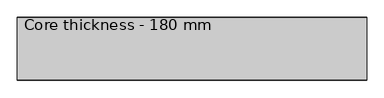
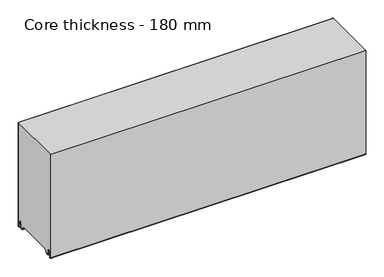
"""IFC4 building model written with IfcOpenShell, lengths in millimetres: plate geometry, Core thickness - 180 mm."""

from ifc_helpers import new_model, si_unit, frame, origin, place, context, project, spatial, polyline, circle_curve, source, transform, mapped, element, save
from ifc_brep_helpers import plane_surface, cylinder_surface, revolved_surface, advanced_brep


def core_thickness_180_mm_42a51127(model_context):
    return source(origin(), model_context, "Body", "AdvancedBrep", [
        advanced_brep(
        [(500.0000002, -179.9996949, 3.0900682), (500.0000002, -173.81449, 2.7875612), (500.0000002, -172.197116, 19.2828169), (500.0000002, -169.1776715, 21.9898782), (500.0000002, -166.1582271, 19.2828169), (500.0000002, -164.7725998, 5.1510966), (500.0000002, -160.3830995, 5.365779), (500.0000002, -161.1830995, 5.365779), (500.0000002, -163.9764178, 5.2291629), (500.0000002, -165.3620451, 19.3608832), (500.0000002, -169.1776715, 22.7899182), (500.0000002, -172.9932979, 19.3608832), (500.0000002, -174.6106719, 2.8656275), (500.0000002, -179.1996949, 3.0900682), (500.0000002, -179.2, 350.0), (500.0000002, -179.9996949, 350.0), (-500.0000002, -179.1996949, 3.0900682), (-500.0000002, -174.6106719, 2.8656275), (-500.0000002, -172.9932979, 19.3608832), (-500.0000002, -169.1776715, 22.7899182), (-500.0000002, -165.3620451, 19.3608832), (-500.0000002, -163.9764178, 5.2291629), (-500.0000002, -161.1830995, 5.365779), (-500.0000002, -160.3830995, 5.365779), (-500.0000002, -164.7725998, 5.1510966), (-500.0000002, -166.1582271, 19.2828169), (-500.0000002, -169.1776715, 21.9898782), (-500.0000002, -172.197116, 19.2828169), (-500.0000002, -173.81449, 2.7875612), (-500.0000002, -179.9996949, 3.0900682), (-500.0000002, -179.9996949, 350.0), (-500.0000002, -179.2, 350.0)],
        [
            (0, 1, circle_curve(frame((500.0000002, -176.8996949, 3.0900682), z_axis=(1.0, 0.0, 0.0), x_axis=(0.0, 0.0, -1.0)), 3.1)),
            (1, 2),
            (2, 3, circle_curve(frame((500.0000002, -169.2114338, 18.9900682), z_axis=(-1.0, 0.0, 0.0), x_axis=(0.0, 0.0, -1.0)), 3.0)),
            (3, 4, circle_curve(frame((500.0000002, -169.1439093, 18.9900682), z_axis=(-1.0, 0.0, 0.0), x_axis=(0.0, 0.0, -1.0)), 3.0)),
            (4, 5),
            (5, 6, circle_curve(frame((500.0000002, -162.5830995, 5.365779), z_axis=(1.0, 0.0, 0.0), x_axis=(0.0, 0.0, -1.0)), 2.2)),
            (6, 7),
            (7, 8, circle_curve(frame((500.0000002, -162.5830995, 5.365779), z_axis=(-1.0, 0.0, 0.0), x_axis=(0.0, 0.0, -1.0)), 1.4)),
            (8, 9),
            (9, 10, circle_curve(frame((500.0000002, -169.1439093, 18.9900682), z_axis=(1.0, 0.0, 0.0), x_axis=(0.0, 0.0, -1.0)), 3.8)),
            (10, 11, circle_curve(frame((500.0000002, -169.2114338, 18.9900682), z_axis=(1.0, 0.0, 0.0), x_axis=(0.0, 0.0, -1.0)), 3.8)),
            (11, 12),
            (12, 13, circle_curve(frame((500.0000002, -176.8996949, 3.0900682), z_axis=(-1.0, 0.0, 0.0), x_axis=(0.0, 0.0, -1.0)), 2.3)),
            (13, 14),
            (14, 15),
            (15, 0),
            (16, 17, circle_curve(frame((-500.0000002, -176.8996949, 3.0900682), z_axis=(1.0, 0.0, 0.0), x_axis=(0.0, 0.0, -1.0)), 2.3)),
            (17, 18),
            (18, 19, circle_curve(frame((-500.0000002, -169.2114338, 18.9900682), z_axis=(-1.0, 0.0, 0.0), x_axis=(0.0, 0.0, -1.0)), 3.8)),
            (19, 20, circle_curve(frame((-500.0000002, -169.1439093, 18.9900682), z_axis=(-1.0, 0.0, 0.0), x_axis=(0.0, 0.0, -1.0)), 3.8)),
            (20, 21),
            (21, 22, circle_curve(frame((-500.0000002, -162.5830995, 5.365779), z_axis=(1.0, 0.0, 0.0), x_axis=(0.0, 0.0, -1.0)), 1.4)),
            (22, 23),
            (23, 24, circle_curve(frame((-500.0000002, -162.5830995, 5.365779), z_axis=(-1.0, 0.0, 0.0), x_axis=(0.0, 0.0, -1.0)), 2.2)),
            (24, 25),
            (25, 26, circle_curve(frame((-500.0000002, -169.1439093, 18.9900682), z_axis=(1.0, 0.0, 0.0), x_axis=(0.0, 0.0, -1.0)), 3.0)),
            (26, 27, circle_curve(frame((-500.0000002, -169.2114338, 18.9900682), z_axis=(1.0, 0.0, 0.0), x_axis=(0.0, 0.0, -1.0)), 3.0)),
            (27, 28),
            (28, 29, circle_curve(frame((-500.0000002, -176.8996949, 3.0900682), z_axis=(-1.0, 0.0, 0.0), x_axis=(0.0, 0.0, -1.0)), 3.1)),
            (29, 30),
            (30, 31),
            (31, 16),
            (13, 16),
            (31, 14),
            (29, 0),
            (15, 30),
            (12, 17),
            (11, 18),
            (10, 19),
            (9, 20),
            (8, 21),
            (7, 22),
            (6, 23),
            (5, 24),
            (4, 25),
            (3, 26),
            (2, 27),
            (1, 28),
        ],
        [
            plane_surface(frame((500.0000002, -180.0, 0.0), z_axis=(1.0, 0.0, 0.0), x_axis=(0.0, 1.0, 0.0))),
            plane_surface(frame((-500.0000002, -180.0, 0.0), z_axis=(-1.0, 0.0, 0.0), x_axis=(0.0, 1.0, 0.0))),
            plane_surface(frame((500.0000002, -179.2, 3.0900682), z_axis=(0.0, 1.0, 0.0), x_axis=(-1.0, 0.0, 0.0))),
            plane_surface(frame((500.0000002, -179.9996949, 1143.9000005), z_axis=(0.0, -1.0, 0.0), x_axis=(-1.0, 0.0, 0.0))),
            revolved_surface(polyline([(-500.0000002, -176.8996949, 0.7900682000000003), (500.0000002, -176.8996949, 0.7900682000000003)]), (500.0000002, -176.8996949, 3.0900682), (-1.0, 0.0, 0.0)),
            plane_surface(frame((500.0000002, -172.9932979, 19.3608832), z_axis=(0.0, -0.9952273999818314, 0.09758289975914787), x_axis=(-1.0, 0.0, 0.0))),
            cylinder_surface(frame((500.0000002, -169.2114338, 18.9900682), z_axis=(1.0, 0.0, 0.0), x_axis=(0.0, 0.0, -1.0)), 3.8),
            cylinder_surface(frame((500.0000002, -169.1439093, 18.9900682), z_axis=(1.0, 0.0, 0.0), x_axis=(0.0, 0.0, -1.0)), 3.8),
            plane_surface(frame((500.0000002, -163.9764178, 5.2291629), z_axis=(0.0, 0.9952273999818297, 0.09758289975916531), x_axis=(-1.0, 0.0, 0.0))),
            revolved_surface(polyline([(-500.0000002, -162.5830995, 3.965779), (500.0000002, -162.5830995, 3.965779)]), (500.0000002, -162.5830995, 5.365779), (-1.0, 0.0, 0.0)),
            plane_surface(frame((500.0000002, -160.3830995, 5.365779), z_axis=(0.0, 0.0, 1.0), x_axis=(-1.0, 0.0, 0.0))),
            cylinder_surface(frame((500.0000002, -162.5830995, 5.365779), z_axis=(1.0, 0.0, 0.0), x_axis=(0.0, 0.0, -1.0)), 2.2),
            plane_surface(frame((500.0000002, -166.1582271, 19.2828169), z_axis=(0.0, -0.9952273999818296, -0.09758289975916527), x_axis=(-1.0, 0.0, 0.0))),
            revolved_surface(polyline([(-500.0000002, -169.1439093, 15.9900682), (500.0000002, -169.1439093, 15.9900682)]), (500.0000002, -169.1439093, 18.9900682), (-1.0, 0.0, 0.0)),
            revolved_surface(polyline([(-500.0000002, -169.2114338, 15.9900682), (500.0000002, -169.2114338, 15.9900682)]), (500.0000002, -169.2114338, 18.9900682), (-1.0, 0.0, 0.0)),
            plane_surface(frame((500.0000002, -173.81449, 2.7875612), z_axis=(0.0, 0.9952273999818314, -0.09758289975914787), x_axis=(-1.0, 0.0, 0.0))),
            cylinder_surface(frame((500.0000002, -176.8996949, 3.0900682), z_axis=(1.0, 0.0, 0.0), x_axis=(0.0, 0.0, -1.0)), 3.1),
            plane_surface(frame((-500.0000002, 134.0533409, 350.0), z_axis=(0.0, 0.0, 1.0), x_axis=(1.0, 0.0, 0.0))),
        ],
        [
            (0, [[1, 2, 3, 4, 5, 6, 7, 8, 9, 10, 11, 12, 13, 14, 15, 16]]),
            (1, [[17, 18, 19, 20, 21, 22, 23, 24, 25, 26, 27, 28, 29, 30, 31, 32]]),
            (2, [[33, -32, 34, -14]]),
            (3, [[35, -16, 36, -30]]),
            (4, [[-13, 37, -17, -33]]),
            (5, [[-12, 38, -18, -37]]),
            (6, [[-11, 39, -19, -38]]),
            (7, [[-10, 40, -20, -39]]),
            (8, [[-9, 41, -21, -40]]),
            (9, [[-8, 42, -22, -41]]),
            (10, [[-7, 43, -23, -42]]),
            (11, [[-6, 44, -24, -43]]),
            (12, [[-5, 45, -25, -44]]),
            (13, [[-4, 46, -26, -45]]),
            (14, [[-3, 47, -27, -46]]),
            (15, [[-2, 48, -28, -47]]),
            (16, [[-1, -35, -29, -48]]),
            (17, [[-15, -34, -31, -36]]),
        ],
    ),
        advanced_brep(
        [(500.0000002, -149.873448, 15.1417681), (500.0000002, -30.126552, 15.1417681), (500.0000002, -23.4071318, 3.165779), (500.0000002, -17.4169005, 3.165779), (500.0000002, -19.6169005, 5.365779), (500.0000002, -18.8169005, 5.365779), (500.0000002, -16.0235822, 5.2291629), (500.0000002, -14.6379549, 19.3608832), (500.0000002, -10.8223285, 22.7899182), (500.0000002, -7.0067021, 19.3608832), (500.0000002, -5.3893281, 2.8656275), (500.0000002, -1.0794848, 4.1883784), (500.0000002, -1.5003051, 5.8439114), (500.0000002, -1.5003051, 42.0511837), (500.0000002, -1.0971009, 43.4705951), (500.0000002, -0.8, 44.5229805), (500.0000002, -0.8, 94.6827637), (500.0000002, -1.0986697, 95.7341795), (500.0000002, -1.5003051, 97.1545605), (500.0000002, -1.5003051, 147.3143437), (500.0000002, -1.0971009, 148.7337551), (500.0000002, -0.8, 149.7861405), (500.0000002, -0.8, 199.9459237), (500.0000002, -1.0986697, 200.9973395), (500.0000002, -1.5003051, 202.4177205), (500.0000002, -1.5003051, 252.5775037), (500.0000002, -1.0971009, 253.9969151), (500.0000002, -0.8, 255.0493005), (500.0000002, -0.8, 305.2090837), (500.0000002, -1.0986697, 306.2604995), (500.0000002, -1.5003051, 307.6808805), (500.0000002, -1.5003051, 350.0), (500.0000002, -179.2, 350.0), (500.0000002, -179.2, 3.0900682), (500.0000002, -174.6106719, 2.8656275), (500.0000002, -172.9932979, 19.3608832), (500.0000002, -169.1776715, 22.7899182), (500.0000002, -165.3620451, 19.3608832), (500.0000002, -163.9764178, 5.2291629), (500.0000002, -161.1830995, 5.365779), (500.0000002, -160.3830995, 5.365779), (500.0000002, -162.5830995, 3.165779), (500.0000002, -156.5928682, 3.165779), (-500.0000002, -30.126552, 15.1417681), (-500.0000002, -149.873448, 15.1417681), (-500.0000002, -156.5928682, 3.165779), (-500.0000002, -162.5830995, 3.165779), (-500.0000002, -160.3830995, 5.365779), (-500.0000002, -161.1830995, 5.365779), (-500.0000002, -163.9764178, 5.2291629), (-500.0000002, -165.3620451, 19.3608832), (-500.0000002, -169.1776715, 22.7899182), (-500.0000002, -172.9932979, 19.3608832), (-500.0000002, -174.6106719, 2.8656275), (-500.0000002, -179.1996949, 3.0900682), (-500.0000002, -179.2, 350.0), (-500.0000002, -1.5003051, 350.0), (-500.0000002, -1.5003051, 307.6808805), (-500.0000002, -1.0971009, 306.2614691), (-500.0000002, -0.8, 305.2090837), (-500.0000002, -0.8, 255.0493005), (-500.0000002, -1.0986697, 253.9978846), (-500.0000002, -1.5003051, 252.5775037), (-500.0000002, -1.5003051, 202.4177205), (-500.0000002, -1.0971009, 200.9983091), (-500.0000002, -0.8, 199.9459237), (-500.0000002, -0.8, 149.7861405), (-500.0000002, -1.0986697, 148.7347246), (-500.0000002, -1.5003051, 147.3143437), (-500.0000002, -1.5003051, 97.1545605), (-500.0000002, -1.0971009, 95.7351491), (-500.0000002, -0.8, 94.6827637), (-500.0000002, -0.8, 44.5229805), (-500.0000002, -1.0986697, 43.4715646), (-500.0000002, -1.5003051, 42.0511837), (-500.0000002, -1.5003051, 5.8439114), (-500.0000002, -1.0794848, 4.1883784), (-500.0000002, -5.3893281, 2.8656275), (-500.0000002, -7.0067021, 19.3608832), (-500.0000002, -10.8223285, 22.7899182), (-500.0000002, -14.6379549, 19.3608832), (-500.0000002, -16.0235822, 5.2291629), (-500.0000002, -18.8169005, 5.365779), (-500.0000002, -19.6169005, 5.365779), (-500.0000002, -17.4169005, 3.165779), (-500.0000002, -23.4071318, 3.165779)],
        [
            (0, 1),
            (1, 2),
            (2, 3),
            (3, 4, circle_curve(frame((500.0000002, -17.4169005, 5.365779), z_axis=(-1.0, 0.0, 0.0), x_axis=(0.0, 0.0, -1.0)), 2.2)),
            (4, 5),
            (5, 6, circle_curve(frame((500.0000002, -17.4169005, 5.365779), z_axis=(1.0, 0.0, 0.0), x_axis=(0.0, 0.0, -1.0)), 1.4)),
            (6, 7),
            (7, 8, circle_curve(frame((500.0000002, -10.8560907, 18.9900682), z_axis=(-1.0, 0.0, 0.0), x_axis=(0.0, 0.0, -1.0)), 3.8)),
            (8, 9, circle_curve(frame((500.0000002, -10.7885662, 18.9900682), z_axis=(-1.0, 0.0, 0.0), x_axis=(0.0, 0.0, -1.0)), 3.8)),
            (9, 10),
            (10, 11, circle_curve(frame((500.0000002, -3.1003051, 3.0900682), z_axis=(1.0, 0.0, 0.0), x_axis=(0.0, 0.0, -1.0)), 2.3)),
            (11, 12, circle_curve(frame((500.0000002, 1.9665895, 5.8439114), z_axis=(-1.0, 0.0, 0.0), x_axis=(0.0, 0.0, -1.0)), 3.4668946)),
            (12, 13),
            (13, 14, circle_curve(frame((500.0000002, 1.1996949, 42.0511837), z_axis=(-1.0, 0.0, 0.0), x_axis=(0.0, 0.0, -1.0)), 2.7)),
            (14, 15, circle_curve(frame((500.0000002, -2.8, 44.5229805), z_axis=(1.0, 0.0, 0.0), x_axis=(0.0, 0.0, -1.0)), 2.0)),
            (15, 16),
            (16, 17, circle_curve(frame((500.0000002, -2.8, 94.6827637), z_axis=(1.0, 0.0, 0.0), x_axis=(0.0, 0.0, -1.0)), 2.0)),
            (17, 18, circle_curve(frame((500.0000002, 1.1996949, 97.1545605), z_axis=(-1.0, 0.0, 0.0), x_axis=(0.0, 0.0, -1.0)), 2.7)),
            (18, 19),
            (19, 20, circle_curve(frame((500.0000002, 1.1996949, 147.3143437), z_axis=(-1.0, 0.0, 0.0), x_axis=(0.0, 0.0, -1.0)), 2.7)),
            (20, 21, circle_curve(frame((500.0000002, -2.8, 149.7861405), z_axis=(1.0, 0.0, 0.0), x_axis=(0.0, 0.0, -1.0)), 2.0)),
            (21, 22),
            (22, 23, circle_curve(frame((500.0000002, -2.8, 199.9459237), z_axis=(1.0, 0.0, 0.0), x_axis=(0.0, 0.0, -1.0)), 2.0)),
            (23, 24, circle_curve(frame((500.0000002, 1.1996949, 202.4177205), z_axis=(-1.0, 0.0, 0.0), x_axis=(0.0, 0.0, -1.0)), 2.7)),
            (24, 25),
            (25, 26, circle_curve(frame((500.0000002, 1.1996949, 252.5775037), z_axis=(-1.0, 0.0, 0.0), x_axis=(0.0, 0.0, -1.0)), 2.7)),
            (26, 27, circle_curve(frame((500.0000002, -2.8, 255.0493005), z_axis=(1.0, 0.0, 0.0), x_axis=(0.0, 0.0, -1.0)), 2.0)),
            (27, 28),
            (28, 29, circle_curve(frame((500.0000002, -2.8, 305.2090837), z_axis=(1.0, 0.0, 0.0), x_axis=(0.0, 0.0, -1.0)), 2.0)),
            (29, 30, circle_curve(frame((500.0000002, 1.1996949, 307.6808805), z_axis=(-1.0, 0.0, 0.0), x_axis=(0.0, 0.0, -1.0)), 2.7)),
            (30, 31),
            (31, 32),
            (32, 33),
            (33, 34, circle_curve(frame((500.0000002, -176.8996949, 3.0900682), z_axis=(1.0, 0.0, 0.0), x_axis=(0.0, 0.0, -1.0)), 2.3)),
            (34, 35),
            (35, 36, circle_curve(frame((500.0000002, -169.2114338, 18.9900682), z_axis=(-1.0, 0.0, 0.0), x_axis=(0.0, 0.0, -1.0)), 3.8)),
            (36, 37, circle_curve(frame((500.0000002, -169.1439093, 18.9900682), z_axis=(-1.0, 0.0, 0.0), x_axis=(0.0, 0.0, -1.0)), 3.8)),
            (37, 38),
            (38, 39, circle_curve(frame((500.0000002, -162.5830995, 5.365779), z_axis=(1.0, 0.0, 0.0), x_axis=(0.0, 0.0, -1.0)), 1.4)),
            (39, 40),
            (40, 41, circle_curve(frame((500.0000002, -162.5830995, 5.365779), z_axis=(-1.0, 0.0, 0.0), x_axis=(0.0, 0.0, -1.0)), 2.2)),
            (41, 42),
            (42, 0),
            (43, 44),
            (44, 45),
            (45, 46),
            (46, 47, circle_curve(frame((-500.0000002, -162.5830995, 5.365779), z_axis=(1.0, 0.0, 0.0), x_axis=(0.0, 0.0, -1.0)), 2.2)),
            (47, 48),
            (48, 49, circle_curve(frame((-500.0000002, -162.5830995, 5.365779), z_axis=(-1.0, 0.0, 0.0), x_axis=(0.0, 0.0, -1.0)), 1.4)),
            (49, 50),
            (50, 51, circle_curve(frame((-500.0000002, -169.1439093, 18.9900682), z_axis=(1.0, 0.0, 0.0), x_axis=(0.0, 0.0, -1.0)), 3.8)),
            (51, 52, circle_curve(frame((-500.0000002, -169.2114338, 18.9900682), z_axis=(1.0, 0.0, 0.0), x_axis=(0.0, 0.0, -1.0)), 3.8)),
            (52, 53),
            (53, 54, circle_curve(frame((-500.0000002, -176.8996949, 3.0900682), z_axis=(-1.0, 0.0, 0.0), x_axis=(0.0, 0.0, -1.0)), 2.3)),
            (54, 55),
            (55, 56),
            (56, 57),
            (57, 58, circle_curve(frame((-500.0000002, 1.1996949, 307.6808805), z_axis=(1.0, 0.0, 0.0), x_axis=(0.0, 0.0, -1.0)), 2.7)),
            (58, 59, circle_curve(frame((-500.0000002, -2.8, 305.2090837), z_axis=(-1.0, 0.0, 0.0), x_axis=(0.0, 0.0, -1.0)), 2.0)),
            (59, 60),
            (60, 61, circle_curve(frame((-500.0000002, -2.8, 255.0493005), z_axis=(-1.0, 0.0, 0.0), x_axis=(0.0, 0.0, -1.0)), 2.0)),
            (61, 62, circle_curve(frame((-500.0000002, 1.1996949, 252.5775037), z_axis=(1.0, 0.0, 0.0), x_axis=(0.0, 0.0, -1.0)), 2.7)),
            (62, 63),
            (63, 64, circle_curve(frame((-500.0000002, 1.1996949, 202.4177205), z_axis=(1.0, 0.0, 0.0), x_axis=(0.0, 0.0, -1.0)), 2.7)),
            (64, 65, circle_curve(frame((-500.0000002, -2.8, 199.9459237), z_axis=(-1.0, 0.0, 0.0), x_axis=(0.0, 0.0, -1.0)), 2.0)),
            (65, 66),
            (66, 67, circle_curve(frame((-500.0000002, -2.8, 149.7861405), z_axis=(-1.0, 0.0, 0.0), x_axis=(0.0, 0.0, -1.0)), 2.0)),
            (67, 68, circle_curve(frame((-500.0000002, 1.1996949, 147.3143437), z_axis=(1.0, 0.0, 0.0), x_axis=(0.0, 0.0, -1.0)), 2.7)),
            (68, 69),
            (69, 70, circle_curve(frame((-500.0000002, 1.1996949, 97.1545605), z_axis=(1.0, 0.0, 0.0), x_axis=(0.0, 0.0, -1.0)), 2.7)),
            (70, 71, circle_curve(frame((-500.0000002, -2.8, 94.6827637), z_axis=(-1.0, 0.0, 0.0), x_axis=(0.0, 0.0, -1.0)), 2.0)),
            (71, 72),
            (72, 73, circle_curve(frame((-500.0000002, -2.8, 44.5229805), z_axis=(-1.0, 0.0, 0.0), x_axis=(0.0, 0.0, -1.0)), 2.0)),
            (73, 74, circle_curve(frame((-500.0000002, 1.1996949, 42.0511837), z_axis=(1.0, 0.0, 0.0), x_axis=(0.0, 0.0, -1.0)), 2.7)),
            (74, 75),
            (75, 76, circle_curve(frame((-500.0000002, 1.9665895, 5.8439114), z_axis=(1.0, 0.0, 0.0), x_axis=(0.0, 0.0, -1.0)), 3.4668946)),
            (76, 77, circle_curve(frame((-500.0000002, -3.1003051, 3.0900682), z_axis=(-1.0, 0.0, 0.0), x_axis=(0.0, 0.0, -1.0)), 2.3)),
            (77, 78),
            (78, 79, circle_curve(frame((-500.0000002, -10.7885662, 18.9900682), z_axis=(1.0, 0.0, 0.0), x_axis=(0.0, 0.0, -1.0)), 3.8)),
            (79, 80, circle_curve(frame((-500.0000002, -10.8560907, 18.9900682), z_axis=(1.0, 0.0, 0.0), x_axis=(0.0, 0.0, -1.0)), 3.8)),
            (80, 81),
            (81, 82, circle_curve(frame((-500.0000002, -17.4169005, 5.365779), z_axis=(-1.0, 0.0, 0.0), x_axis=(0.0, 0.0, -1.0)), 1.4)),
            (82, 83),
            (83, 84, circle_curve(frame((-500.0000002, -17.4169005, 5.365779), z_axis=(1.0, 0.0, 0.0), x_axis=(0.0, 0.0, -1.0)), 2.2)),
            (84, 85),
            (85, 43),
            (1, 43),
            (85, 2),
            (0, 44),
            (42, 45),
            (64, 23),
            (22, 65),
            (63, 24),
            (62, 25),
            (61, 26),
            (60, 27),
            (59, 28),
            (58, 29),
            (57, 30),
            (56, 31),
            (54, 33),
            (32, 55),
            (84, 3),
            (41, 46),
            (83, 4),
            (82, 5),
            (81, 6),
            (80, 7),
            (79, 8),
            (78, 9),
            (77, 10),
            (76, 11),
            (75, 12),
            (74, 13),
            (73, 14),
            (72, 15),
            (71, 16),
            (70, 17),
            (69, 18),
            (68, 19),
            (67, 20),
            (66, 21),
            (53, 34),
            (52, 35),
            (51, 36),
            (50, 37),
            (49, 38),
            (48, 39),
            (47, 40),
        ],
        [
            plane_surface(frame((500.0000002, 0.0, 0.0), z_axis=(1.0, 0.0, 0.0), x_axis=(0.0, -1.0, 0.0))),
            plane_surface(frame((-500.0000002, 0.0, 0.0), z_axis=(-1.0, 0.0, 0.0), x_axis=(0.0, -1.0, 0.0))),
            plane_surface(frame((500.0000002, -30.126552, 15.1417681), z_axis=(0.0, -0.8721062992196836, -0.4893164649399687), x_axis=(-1.0, 0.0, 0.0))),
            plane_surface(frame((500.0000002, -149.873448, 15.1417681), z_axis=(0.0, 0.0, -1.0), x_axis=(-1.0, 0.0, 0.0))),
            plane_surface(frame((500.0000002, -156.8190247, 2.7627014), z_axis=(0.0, 0.8721062992196842, -0.48931646493996783), x_axis=(-1.0, 0.0, 0.0))),
            cylinder_surface(frame((630.0000002, -2.8, 199.9459237), z_axis=(-1.0, 0.0, 0.0), x_axis=(0.0, 0.0, -1.0)), 2.0),
            revolved_surface(polyline([(500.0000002, 1.1996949, 199.7177205), (-500.00000020000004, 1.1996949, 199.7177205)]), (630.0000002, 1.1996949, 202.4177205), (1.0, 0.0, 0.0)),
            plane_surface(frame((630.0000002, -1.5003051, 252.5775037), z_axis=(0.0, 1.0, 0.0), x_axis=(-1.0, 0.0, 0.0))),
            revolved_surface(polyline([(500.0000002, 1.1996949, 249.8775037), (-500.00000020000004, 1.1996949, 249.8775037)]), (630.0000002, 1.1996949, 252.5775037), (1.0, 0.0, 0.0)),
            cylinder_surface(frame((630.0000002, -2.8, 255.0493005), z_axis=(-1.0, 0.0, 0.0), x_axis=(0.0, 0.0, -1.0)), 2.0),
            plane_surface(frame((630.0000002, -0.8, 305.2090837), z_axis=(0.0, 1.0, 0.0), x_axis=(-1.0, 0.0, 0.0))),
            cylinder_surface(frame((630.0000002, -2.8, 305.2090837), z_axis=(-1.0, 0.0, 0.0), x_axis=(0.0, 0.0, -1.0)), 2.0),
            revolved_surface(polyline([(500.0000002, 1.1996949, 304.9808805), (-500.00000020000004, 1.1996949, 304.9808805)]), (630.0000002, 1.1996949, 307.6808805), (1.0, 0.0, 0.0)),
            plane_surface(frame((630.0000002, -1.5003051, 357.8406637), z_axis=(0.0, 1.0, 0.0), x_axis=(-1.0, 0.0, 0.0))),
            plane_surface(frame((630.0000002, -179.2, 3.0900682), z_axis=(0.0, -1.0, 0.0), x_axis=(-1.0, 0.0, 0.0))),
            plane_surface(frame((-500.0000002, -162.5830995, 3.165779), z_axis=(0.0, 0.0, -1.0), x_axis=(1.0, 0.0, 0.0))),
            revolved_surface(polyline([(500.0000002, -17.4169005, 3.1657789999999997), (-500.00000020000004, -17.4169005, 3.1657789999999997)]), (630.0000002, -17.4169005, 5.365779), (1.0, 0.0, 0.0)),
            plane_surface(frame((630.0000002, -18.8169005, 5.365779), z_axis=(0.0, 0.0, -1.0), x_axis=(-1.0, 0.0, 0.0))),
            cylinder_surface(frame((630.0000002, -17.4169005, 5.365779), z_axis=(-1.0, 0.0, 0.0), x_axis=(0.0, 0.0, -1.0)), 1.4),
            plane_surface(frame((630.0000002, -14.6379549, 19.3608832), z_axis=(0.0, 0.9952273999818297, -0.09758289975916531), x_axis=(-1.0, 0.0, 0.0))),
            revolved_surface(polyline([(500.0000002, -10.8560907, 15.190068199999999), (-500.00000020000004, -10.8560907, 15.190068199999999)]), (630.0000002, -10.8560907, 18.9900682), (1.0, 0.0, 0.0)),
            revolved_surface(polyline([(500.0000002, -10.7885662, 15.190068199999999), (-500.00000020000004, -10.7885662, 15.190068199999999)]), (630.0000002, -10.7885662, 18.9900682), (1.0, 0.0, 0.0)),
            plane_surface(frame((630.0000002, -5.3893281, 2.8656275), z_axis=(0.0, -0.9952273999818314, -0.09758289975914787), x_axis=(-1.0, 0.0, 0.0))),
            cylinder_surface(frame((630.0000002, -3.1003051, 3.0900682), z_axis=(-1.0, 0.0, 0.0), x_axis=(0.0, 0.0, -1.0)), 2.3),
            revolved_surface(polyline([(500.0000002, 1.9665895, 2.3770168), (-500.00000020000004, 1.9665895, 2.3770168)]), (630.0000002, 1.9665895, 5.8439114), (1.0, 0.0, 0.0)),
            plane_surface(frame((630.0000002, -1.5003051, 42.0511837), z_axis=(0.0, 1.0, 0.0), x_axis=(-1.0, 0.0, 0.0))),
            revolved_surface(polyline([(500.0000002, 1.1996949, 39.3511837), (-500.00000020000004, 1.1996949, 39.3511837)]), (630.0000002, 1.1996949, 42.0511837), (1.0, 0.0, 0.0)),
            cylinder_surface(frame((630.0000002, -2.8, 44.5229805), z_axis=(-1.0, 0.0, 0.0), x_axis=(0.0, 0.0, -1.0)), 2.0),
            plane_surface(frame((630.0000002, -0.8, 94.6827637), z_axis=(0.0, 1.0, 0.0), x_axis=(-1.0, 0.0, 0.0))),
            cylinder_surface(frame((630.0000002, -2.8, 94.6827637), z_axis=(-1.0, 0.0, 0.0), x_axis=(0.0, 0.0, -1.0)), 2.0),
            revolved_surface(polyline([(500.0000002, 1.1996949, 94.4545605), (-500.00000020000004, 1.1996949, 94.4545605)]), (630.0000002, 1.1996949, 97.1545605), (1.0, 0.0, 0.0)),
            plane_surface(frame((630.0000002, -1.5003051, 147.3143437), z_axis=(0.0, 1.0, 0.0), x_axis=(-1.0, 0.0, 0.0))),
            revolved_surface(polyline([(500.0000002, 1.1996949, 144.6143437), (-500.00000020000004, 1.1996949, 144.6143437)]), (630.0000002, 1.1996949, 147.3143437), (1.0, 0.0, 0.0)),
            cylinder_surface(frame((630.0000002, -2.8, 149.7861405), z_axis=(-1.0, 0.0, 0.0), x_axis=(0.0, 0.0, -1.0)), 2.0),
            plane_surface(frame((630.0000002, -0.8, 199.9459237), z_axis=(0.0, 1.0, 0.0), x_axis=(-1.0, 0.0, 0.0))),
            cylinder_surface(frame((630.0000002, -176.8996949, 3.0900682), z_axis=(-1.0, 0.0, 0.0), x_axis=(0.0, 0.0, -1.0)), 2.3),
            plane_surface(frame((630.0000002, -172.9932979, 19.3608832), z_axis=(0.0, 0.9952273999818314, -0.09758289975914787), x_axis=(-1.0, 0.0, 0.0))),
            revolved_surface(polyline([(500.0000002, -169.2114338, 15.190068199999999), (-500.00000020000004, -169.2114338, 15.190068199999999)]), (630.0000002, -169.2114338, 18.9900682), (1.0, 0.0, 0.0)),
            revolved_surface(polyline([(500.0000002, -169.1439093, 15.190068199999999), (-500.00000020000004, -169.1439093, 15.190068199999999)]), (630.0000002, -169.1439093, 18.9900682), (1.0, 0.0, 0.0)),
            plane_surface(frame((630.0000002, -163.9764178, 5.2291629), z_axis=(0.0, -0.9952273999818297, -0.09758289975916531), x_axis=(-1.0, 0.0, 0.0))),
            cylinder_surface(frame((630.0000002, -162.5830995, 5.365779), z_axis=(-1.0, 0.0, 0.0), x_axis=(0.0, 0.0, -1.0)), 1.4),
            plane_surface(frame((630.0000002, -160.3830995, 5.365779), z_axis=(0.0, 0.0, -1.0), x_axis=(-1.0, 0.0, 0.0))),
            revolved_surface(polyline([(500.0000002, -162.5830995, 3.1657789999999997), (-500.00000020000004, -162.5830995, 3.1657789999999997)]), (630.0000002, -162.5830995, 5.365779), (1.0, 0.0, 0.0)),
            plane_surface(frame((-500.0000002, 134.0533409, 350.0), z_axis=(0.0, 0.0, 1.0), x_axis=(1.0, 0.0, 0.0))),
        ],
        [
            (0, [[1, 2, 3, 4, 5, 6, 7, 8, 9, 10, 11, 12, 13, 14, 15, 16, 17, 18, 19, 20, 21, 22, 23, 24, 25, 26, 27, 28, 29, 30, 31, 32, 33, 34, 35, 36, 37, 38, 39, 40, 41, 42, 43]]),
            (1, [[44, 45, 46, 47, 48, 49, 50, 51, 52, 53, 54, 55, 56, 57, 58, 59, 60, 61, 62, 63, 64, 65, 66, 67, 68, 69, 70, 71, 72, 73, 74, 75, 76, 77, 78, 79, 80, 81, 82, 83, 84, 85, 86]]),
            (2, [[87, -86, 88, -2]]),
            (3, [[-1, 89, -44, -87]]),
            (4, [[-89, -43, 90, -45]]),
            (5, [[91, -23, 92, -65]]),
            (6, [[-91, -64, 93, -24]]),
            (7, [[-93, -63, 94, -25]]),
            (8, [[-94, -62, 95, -26]]),
            (9, [[-95, -61, 96, -27]]),
            (10, [[-96, -60, 97, -28]]),
            (11, [[-97, -59, 98, -29]]),
            (12, [[-98, -58, 99, -30]]),
            (13, [[-99, -57, 100, -31]]),
            (14, [[101, -33, 102, -55]]),
            (15, [[-3, -88, -85, 103]]),
            (15, [[-42, 104, -46, -90]]),
            (16, [[105, -4, -103, -84]]),
            (17, [[-105, -83, 106, -5]]),
            (18, [[-106, -82, 107, -6]]),
            (19, [[-107, -81, 108, -7]]),
            (20, [[-108, -80, 109, -8]]),
            (21, [[-109, -79, 110, -9]]),
            (22, [[-110, -78, 111, -10]]),
            (23, [[-111, -77, 112, -11]]),
            (24, [[-112, -76, 113, -12]]),
            (25, [[-113, -75, 114, -13]]),
            (26, [[-114, -74, 115, -14]]),
            (27, [[-115, -73, 116, -15]]),
            (28, [[-116, -72, 117, -16]]),
            (29, [[-117, -71, 118, -17]]),
            (30, [[-118, -70, 119, -18]]),
            (31, [[-119, -69, 120, -19]]),
            (32, [[-120, -68, 121, -20]]),
            (33, [[-121, -67, 122, -21]]),
            (34, [[-122, -66, -92, -22]]),
            (35, [[-101, -54, 123, -34]]),
            (36, [[-123, -53, 124, -35]]),
            (37, [[-124, -52, 125, -36]]),
            (38, [[-125, -51, 126, -37]]),
            (39, [[-126, -50, 127, -38]]),
            (40, [[-127, -49, 128, -39]]),
            (41, [[-128, -48, 129, -40]]),
            (42, [[-129, -47, -104, -41]]),
            (43, [[-100, -56, -102, -32]]),
        ],
    ),
        advanced_brep(
        [(-500.0000002, -0.7003051, 307.6808805), (-500.0000002, -0.4016712, 306.6295226), (-500.0000002, -0.0003051, 305.2090837), (-500.0000002, -0.0003051, 255.0493005), (-500.0000002, -0.4034608, 253.6299674), (-500.0000002, -0.7003051, 252.5775037), (-500.0000002, -0.7003051, 202.4177205), (-500.0000002, -0.4016712, 201.3663626), (-500.0000002, -0.0003051, 199.9459237), (-500.0000002, -0.0003051, 149.7861405), (-500.0000002, -0.4034608, 148.3668074), (-500.0000002, -0.7003051, 147.3143437), (-500.0000002, -0.7003051, 97.1545605), (-500.0000002, -0.4016712, 96.1032026), (-500.0000002, -0.0003051, 94.6827637), (-500.0000002, -0.0003051, 44.5229805), (-500.0000002, -0.4034608, 43.1036474), (-500.0000002, -0.7003051, 42.0511837), (-500.0000002, -0.7003051, 6.8391397), (-500.0000002, -0.2091664, 4.208691), (-500.0000002, -6.18551, 2.7875612), (-500.0000002, -7.802884, 19.2828169), (-500.0000002, -10.8223285, 21.9898782), (-500.0000002, -13.8417729, 19.2828169), (-500.0000002, -15.2274002, 5.1510966), (-500.0000002, -19.6169005, 5.365779), (-500.0000002, -18.8169005, 5.365779), (-500.0000002, -16.0235822, 5.2291629), (-500.0000002, -14.6379549, 19.3608832), (-500.0000002, -10.8223285, 22.7899182), (-500.0000002, -7.0067021, 19.3608832), (-500.0000002, -5.3893281, 2.8656275), (-500.0000002, -1.0794848, 4.1883784), (-500.0000002, -1.5003051, 5.8439114), (-500.0000002, -1.5003051, 42.0511837), (-500.0000002, -1.0971009, 43.4705951), (-500.0000002, -0.8, 44.5229805), (-500.0000002, -0.8, 94.6827637), (-500.0000002, -1.0986697, 95.7341795), (-500.0000002, -1.5003051, 97.1545605), (-500.0000002, -1.5003051, 147.3143437), (-500.0000002, -1.0971009, 148.7337551), (-500.0000002, -0.8, 149.7861405), (-500.0000002, -0.8, 199.9459237), (-500.0000002, -1.0986697, 200.9973395), (-500.0000002, -1.5003051, 202.4177205), (-500.0000002, -1.5003051, 252.5775037), (-500.0000002, -1.0971009, 253.9969151), (-500.0000002, -0.8, 255.0493005), (-500.0000002, -0.8, 305.2090837), (-500.0000002, -1.0986697, 306.2604995), (-500.0000002, -1.5003051, 307.6808805), (-500.0000002, -1.5003051, 350.0), (-500.0000002, -0.7003051, 350.0), (500.0000002, -1.5003051, 307.6808805), (500.0000002, -1.0971009, 306.2614691), (500.0000002, -0.8, 305.2090837), (500.0000002, -0.8, 255.0493005), (500.0000002, -1.0986697, 253.9978846), (500.0000002, -1.5003051, 252.5775037), (500.0000002, -1.5003051, 202.4177205), (500.0000002, -1.0971009, 200.9983091), (500.0000002, -0.8, 199.9459237), (500.0000002, -0.8, 149.7861405), (500.0000002, -1.0986697, 148.7347246), (500.0000002, -1.5003051, 147.3143437), (500.0000002, -1.5003051, 97.1545605), (500.0000002, -1.0971009, 95.7351491), (500.0000002, -0.8, 94.6827637), (500.0000002, -0.8, 44.5229805), (500.0000002, -1.0986697, 43.4715646), (500.0000002, -1.5003051, 42.0511837), (500.0000002, -1.5003051, 5.8439114), (500.0000002, -1.0794848, 4.1883784), (500.0000002, -5.3893281, 2.8656275), (500.0000002, -7.0067021, 19.3608832), (500.0000002, -10.8223285, 22.7899182), (500.0000002, -14.6379549, 19.3608832), (500.0000002, -16.0235822, 5.2291629), (500.0000002, -18.8169005, 5.365779), (500.0000002, -19.6169005, 5.365779), (500.0000002, -15.2274002, 5.1510966), (500.0000002, -13.8417729, 19.2828169), (500.0000002, -10.8223285, 21.9898782), (500.0000002, -7.802884, 19.2828169), (500.0000002, -6.18551, 2.7875612), (500.0000002, -0.2091664, 4.208691), (500.0000002, -0.7003051, 6.8391397), (500.0000002, -0.7003051, 42.0511837), (500.0000002, -0.4016712, 43.1025415), (500.0000002, -0.0003051, 44.5229805), (500.0000002, -0.0003051, 94.6827637), (500.0000002, -0.4034608, 96.1020968), (500.0000002, -0.7003051, 97.1545605), (500.0000002, -0.7003051, 147.3143437), (500.0000002, -0.4016712, 148.3657015), (500.0000002, -0.0003051, 149.7861405), (500.0000002, -0.0003051, 199.9459237), (500.0000002, -0.4034608, 201.3652568), (500.0000002, -0.7003051, 202.4177205), (500.0000002, -0.7003051, 252.5775037), (500.0000002, -0.4016712, 253.6288615), (500.0000002, -0.0003051, 255.0493005), (500.0000002, -0.0003051, 305.2090837), (500.0000002, -0.4034608, 306.6284168), (500.0000002, -0.7003051, 307.6808805), (500.0000002, -0.7003051, 350.0), (500.0000002, -1.5003051, 350.0)],
        [
            (0, 1, circle_curve(frame((-500.0000002, 1.2996949, 307.6808805), z_axis=(1.0, 0.0, 0.0), x_axis=(0.0, 0.0, -1.0)), 2.0)),
            (1, 2, circle_curve(frame((-500.0000002, -2.7003051, 305.2090837), z_axis=(-1.0, 0.0, 0.0), x_axis=(0.0, 0.0, -1.0)), 2.7)),
            (2, 3),
            (3, 4, circle_curve(frame((-500.0000002, -2.7003051, 255.0493005), z_axis=(-1.0, 0.0, 0.0), x_axis=(0.0, 0.0, -1.0)), 2.7)),
            (4, 5, circle_curve(frame((-500.0000002, 1.2996949, 252.5775037), z_axis=(1.0, 0.0, 0.0), x_axis=(0.0, 0.0, -1.0)), 2.0)),
            (5, 6),
            (6, 7, circle_curve(frame((-500.0000002, 1.2996949, 202.4177205), z_axis=(1.0, 0.0, 0.0), x_axis=(0.0, 0.0, -1.0)), 2.0)),
            (7, 8, circle_curve(frame((-500.0000002, -2.7003051, 199.9459237), z_axis=(-1.0, 0.0, 0.0), x_axis=(0.0, 0.0, -1.0)), 2.7)),
            (8, 9),
            (9, 10, circle_curve(frame((-500.0000002, -2.7003051, 149.7861405), z_axis=(-1.0, 0.0, 0.0), x_axis=(0.0, 0.0, -1.0)), 2.7)),
            (10, 11, circle_curve(frame((-500.0000002, 1.2996949, 147.3143437), z_axis=(1.0, 0.0, 0.0), x_axis=(0.0, 0.0, -1.0)), 2.0)),
            (11, 12),
            (12, 13, circle_curve(frame((-500.0000002, 1.2996949, 97.1545605), z_axis=(1.0, 0.0, 0.0), x_axis=(0.0, 0.0, -1.0)), 2.0)),
            (13, 14, circle_curve(frame((-500.0000002, -2.7003051, 94.6827637), z_axis=(-1.0, 0.0, 0.0), x_axis=(0.0, 0.0, -1.0)), 2.7)),
            (14, 15),
            (15, 16, circle_curve(frame((-500.0000002, -2.7003051, 44.5229805), z_axis=(-1.0, 0.0, 0.0), x_axis=(0.0, 0.0, -1.0)), 2.7)),
            (16, 17, circle_curve(frame((-500.0000002, 1.2996949, 42.0511837), z_axis=(1.0, 0.0, 0.0), x_axis=(0.0, 0.0, -1.0)), 2.0)),
            (17, 18),
            (18, 19, circle_curve(frame((-500.0000002, 6.5893647, 6.8391397), z_axis=(1.0, 0.0, 0.0), x_axis=(0.0, 0.0, -1.0)), 7.2896698)),
            (19, 20, circle_curve(frame((-500.0000002, -3.1003051, 3.0900682), z_axis=(-1.0, 0.0, 0.0), x_axis=(0.0, 0.0, -1.0)), 3.1)),
            (20, 21),
            (21, 22, circle_curve(frame((-500.0000002, -10.7885662, 18.9900682), z_axis=(1.0, 0.0, 0.0), x_axis=(0.0, 0.0, -1.0)), 3.0)),
            (22, 23, circle_curve(frame((-500.0000002, -10.8560907, 18.9900682), z_axis=(1.0, 0.0, 0.0), x_axis=(0.0, 0.0, -1.0)), 3.0)),
            (23, 24),
            (24, 25, circle_curve(frame((-500.0000002, -17.4169005, 5.365779), z_axis=(-1.0, 0.0, 0.0), x_axis=(0.0, 0.0, -1.0)), 2.2)),
            (25, 26),
            (26, 27, circle_curve(frame((-500.0000002, -17.4169005, 5.365779), z_axis=(1.0, 0.0, 0.0), x_axis=(0.0, 0.0, -1.0)), 1.4)),
            (27, 28),
            (28, 29, circle_curve(frame((-500.0000002, -10.8560907, 18.9900682), z_axis=(-1.0, 0.0, 0.0), x_axis=(0.0, 0.0, -1.0)), 3.8)),
            (29, 30, circle_curve(frame((-500.0000002, -10.7885662, 18.9900682), z_axis=(-1.0, 0.0, 0.0), x_axis=(0.0, 0.0, -1.0)), 3.8)),
            (30, 31),
            (31, 32, circle_curve(frame((-500.0000002, -3.1003051, 3.0900682), z_axis=(1.0, 0.0, 0.0), x_axis=(0.0, 0.0, -1.0)), 2.3)),
            (32, 33, circle_curve(frame((-500.0000002, 1.9665895, 5.8439114), z_axis=(-1.0, 0.0, 0.0), x_axis=(0.0, 0.0, -1.0)), 3.4668946)),
            (33, 34),
            (34, 35, circle_curve(frame((-500.0000002, 1.1996949, 42.0511837), z_axis=(-1.0, 0.0, 0.0), x_axis=(0.0, 0.0, -1.0)), 2.7)),
            (35, 36, circle_curve(frame((-500.0000002, -2.8, 44.5229805), z_axis=(1.0, 0.0, 0.0), x_axis=(0.0, 0.0, -1.0)), 2.0)),
            (36, 37),
            (37, 38, circle_curve(frame((-500.0000002, -2.8, 94.6827637), z_axis=(1.0, 0.0, 0.0), x_axis=(0.0, 0.0, -1.0)), 2.0)),
            (38, 39, circle_curve(frame((-500.0000002, 1.1996949, 97.1545605), z_axis=(-1.0, 0.0, 0.0), x_axis=(0.0, 0.0, -1.0)), 2.7)),
            (39, 40),
            (40, 41, circle_curve(frame((-500.0000002, 1.1996949, 147.3143437), z_axis=(-1.0, 0.0, 0.0), x_axis=(0.0, 0.0, -1.0)), 2.7)),
            (41, 42, circle_curve(frame((-500.0000002, -2.8, 149.7861405), z_axis=(1.0, 0.0, 0.0), x_axis=(0.0, 0.0, -1.0)), 2.0)),
            (42, 43),
            (43, 44, circle_curve(frame((-500.0000002, -2.8, 199.9459237), z_axis=(1.0, 0.0, 0.0), x_axis=(0.0, 0.0, -1.0)), 2.0)),
            (44, 45, circle_curve(frame((-500.0000002, 1.1996949, 202.4177205), z_axis=(-1.0, 0.0, 0.0), x_axis=(0.0, 0.0, -1.0)), 2.7)),
            (45, 46),
            (46, 47, circle_curve(frame((-500.0000002, 1.1996949, 252.5775037), z_axis=(-1.0, 0.0, 0.0), x_axis=(0.0, 0.0, -1.0)), 2.7)),
            (47, 48, circle_curve(frame((-500.0000002, -2.8, 255.0493005), z_axis=(1.0, 0.0, 0.0), x_axis=(0.0, 0.0, -1.0)), 2.0)),
            (48, 49),
            (49, 50, circle_curve(frame((-500.0000002, -2.8, 305.2090837), z_axis=(1.0, 0.0, 0.0), x_axis=(0.0, 0.0, -1.0)), 2.0)),
            (50, 51, circle_curve(frame((-500.0000002, 1.1996949, 307.6808805), z_axis=(-1.0, 0.0, 0.0), x_axis=(0.0, 0.0, -1.0)), 2.7)),
            (51, 52),
            (52, 53),
            (53, 0),
            (54, 55, circle_curve(frame((500.0000002, 1.1996949, 307.6808805), z_axis=(1.0, 0.0, 0.0), x_axis=(0.0, 0.0, -1.0)), 2.7)),
            (55, 56, circle_curve(frame((500.0000002, -2.8, 305.2090837), z_axis=(-1.0, 0.0, 0.0), x_axis=(0.0, 0.0, -1.0)), 2.0)),
            (56, 57),
            (57, 58, circle_curve(frame((500.0000002, -2.8, 255.0493005), z_axis=(-1.0, 0.0, 0.0), x_axis=(0.0, 0.0, -1.0)), 2.0)),
            (58, 59, circle_curve(frame((500.0000002, 1.1996949, 252.5775037), z_axis=(1.0, 0.0, 0.0), x_axis=(0.0, 0.0, -1.0)), 2.7)),
            (59, 60),
            (60, 61, circle_curve(frame((500.0000002, 1.1996949, 202.4177205), z_axis=(1.0, 0.0, 0.0), x_axis=(0.0, 0.0, -1.0)), 2.7)),
            (61, 62, circle_curve(frame((500.0000002, -2.8, 199.9459237), z_axis=(-1.0, 0.0, 0.0), x_axis=(0.0, 0.0, -1.0)), 2.0)),
            (62, 63),
            (63, 64, circle_curve(frame((500.0000002, -2.8, 149.7861405), z_axis=(-1.0, 0.0, 0.0), x_axis=(0.0, 0.0, -1.0)), 2.0)),
            (64, 65, circle_curve(frame((500.0000002, 1.1996949, 147.3143437), z_axis=(1.0, 0.0, 0.0), x_axis=(0.0, 0.0, -1.0)), 2.7)),
            (65, 66),
            (66, 67, circle_curve(frame((500.0000002, 1.1996949, 97.1545605), z_axis=(1.0, 0.0, 0.0), x_axis=(0.0, 0.0, -1.0)), 2.7)),
            (67, 68, circle_curve(frame((500.0000002, -2.8, 94.6827637), z_axis=(-1.0, 0.0, 0.0), x_axis=(0.0, 0.0, -1.0)), 2.0)),
            (68, 69),
            (69, 70, circle_curve(frame((500.0000002, -2.8, 44.5229805), z_axis=(-1.0, 0.0, 0.0), x_axis=(0.0, 0.0, -1.0)), 2.0)),
            (70, 71, circle_curve(frame((500.0000002, 1.1996949, 42.0511837), z_axis=(1.0, 0.0, 0.0), x_axis=(0.0, 0.0, -1.0)), 2.7)),
            (71, 72),
            (72, 73, circle_curve(frame((500.0000002, 1.9665895, 5.8439114), z_axis=(1.0, 0.0, 0.0), x_axis=(0.0, 0.0, -1.0)), 3.4668946)),
            (73, 74, circle_curve(frame((500.0000002, -3.1003051, 3.0900682), z_axis=(-1.0, 0.0, 0.0), x_axis=(0.0, 0.0, -1.0)), 2.3)),
            (74, 75),
            (75, 76, circle_curve(frame((500.0000002, -10.7885662, 18.9900682), z_axis=(1.0, 0.0, 0.0), x_axis=(0.0, 0.0, -1.0)), 3.8)),
            (76, 77, circle_curve(frame((500.0000002, -10.8560907, 18.9900682), z_axis=(1.0, 0.0, 0.0), x_axis=(0.0, 0.0, -1.0)), 3.8)),
            (77, 78),
            (78, 79, circle_curve(frame((500.0000002, -17.4169005, 5.365779), z_axis=(-1.0, 0.0, 0.0), x_axis=(0.0, 0.0, -1.0)), 1.4)),
            (79, 80),
            (80, 81, circle_curve(frame((500.0000002, -17.4169005, 5.365779), z_axis=(1.0, 0.0, 0.0), x_axis=(0.0, 0.0, -1.0)), 2.2)),
            (81, 82),
            (82, 83, circle_curve(frame((500.0000002, -10.8560907, 18.9900682), z_axis=(-1.0, 0.0, 0.0), x_axis=(0.0, 0.0, -1.0)), 3.0)),
            (83, 84, circle_curve(frame((500.0000002, -10.7885662, 18.9900682), z_axis=(-1.0, 0.0, 0.0), x_axis=(0.0, 0.0, -1.0)), 3.0)),
            (84, 85),
            (85, 86, circle_curve(frame((500.0000002, -3.1003051, 3.0900682), z_axis=(1.0, 0.0, 0.0), x_axis=(0.0, 0.0, -1.0)), 3.1)),
            (86, 87, circle_curve(frame((500.0000002, 6.5893647, 6.8391397), z_axis=(-1.0, 0.0, 0.0), x_axis=(0.0, 0.0, -1.0)), 7.2896698)),
            (87, 88),
            (88, 89, circle_curve(frame((500.0000002, 1.2996949, 42.0511837), z_axis=(-1.0, 0.0, 0.0), x_axis=(0.0, 0.0, -1.0)), 2.0)),
            (89, 90, circle_curve(frame((500.0000002, -2.7003051, 44.5229805), z_axis=(1.0, 0.0, 0.0), x_axis=(0.0, 0.0, -1.0)), 2.7)),
            (90, 91),
            (91, 92, circle_curve(frame((500.0000002, -2.7003051, 94.6827637), z_axis=(1.0, 0.0, 0.0), x_axis=(0.0, 0.0, -1.0)), 2.7)),
            (92, 93, circle_curve(frame((500.0000002, 1.2996949, 97.1545605), z_axis=(-1.0, 0.0, 0.0), x_axis=(0.0, 0.0, -1.0)), 2.0)),
            (93, 94),
            (94, 95, circle_curve(frame((500.0000002, 1.2996949, 147.3143437), z_axis=(-1.0, 0.0, 0.0), x_axis=(0.0, 0.0, -1.0)), 2.0)),
            (95, 96, circle_curve(frame((500.0000002, -2.7003051, 149.7861405), z_axis=(1.0, 0.0, 0.0), x_axis=(0.0, 0.0, -1.0)), 2.7)),
            (96, 97),
            (97, 98, circle_curve(frame((500.0000002, -2.7003051, 199.9459237), z_axis=(1.0, 0.0, 0.0), x_axis=(0.0, 0.0, -1.0)), 2.7)),
            (98, 99, circle_curve(frame((500.0000002, 1.2996949, 202.4177205), z_axis=(-1.0, 0.0, 0.0), x_axis=(0.0, 0.0, -1.0)), 2.0)),
            (99, 100),
            (100, 101, circle_curve(frame((500.0000002, 1.2996949, 252.5775037), z_axis=(-1.0, 0.0, 0.0), x_axis=(0.0, 0.0, -1.0)), 2.0)),
            (101, 102, circle_curve(frame((500.0000002, -2.7003051, 255.0493005), z_axis=(1.0, 0.0, 0.0), x_axis=(0.0, 0.0, -1.0)), 2.7)),
            (102, 103),
            (103, 104, circle_curve(frame((500.0000002, -2.7003051, 305.2090837), z_axis=(1.0, 0.0, 0.0), x_axis=(0.0, 0.0, -1.0)), 2.7)),
            (104, 105, circle_curve(frame((500.0000002, 1.2996949, 307.6808805), z_axis=(-1.0, 0.0, 0.0), x_axis=(0.0, 0.0, -1.0)), 2.0)),
            (105, 106),
            (106, 107),
            (107, 54),
            (51, 54),
            (107, 52),
            (50, 55),
            (49, 56),
            (48, 57),
            (47, 58),
            (46, 59),
            (45, 60),
            (44, 61),
            (43, 62),
            (31, 74),
            (73, 32),
            (30, 75),
            (29, 76),
            (28, 77),
            (27, 78),
            (26, 79),
            (25, 80),
            (24, 81),
            (23, 82),
            (22, 83),
            (21, 84),
            (20, 85),
            (19, 86),
            (7, 98),
            (97, 8),
            (6, 99),
            (5, 100),
            (4, 101),
            (3, 102),
            (2, 103),
            (1, 104),
            (0, 105),
            (53, 106),
            (42, 63),
            (41, 64),
            (40, 65),
            (39, 66),
            (38, 67),
            (37, 68),
            (36, 69),
            (35, 70),
            (34, 71),
            (33, 72),
            (18, 87),
            (17, 88),
            (16, 89),
            (15, 90),
            (14, 91),
            (13, 92),
            (12, 93),
            (11, 94),
            (10, 95),
            (9, 96),
        ],
        [
            plane_surface(frame((-500.0000002, 0.0, 0.0), z_axis=(-1.0, 0.0, 0.0), x_axis=(0.0, -1.0, 0.0))),
            plane_surface(frame((500.0000002, 0.0, 0.0), z_axis=(1.0, 0.0, 0.0), x_axis=(0.0, -1.0, 0.0))),
            plane_surface(frame((-500.0000002, -1.5003051, 307.6808805), z_axis=(0.0, -1.0, 0.0), x_axis=(1.0, 0.0, 0.0))),
            cylinder_surface(frame((-500.0000002, 1.1996949, 307.6808805), z_axis=(-1.0, 0.0, 0.0), x_axis=(0.0, 0.0, -1.0)), 2.7),
            revolved_surface(polyline([(500.0000002, -2.8, 303.2090837), (-500.0000002, -2.8, 303.2090837)]), (-500.0000002, -2.8, 305.2090837), (1.0, 0.0, 0.0)),
            plane_surface(frame((-500.0000002, -0.8, 255.0493005), z_axis=(0.0, -1.0, 0.0), x_axis=(1.0, 0.0, 0.0))),
            revolved_surface(polyline([(500.0000002, -2.8, 253.0493005), (-500.0000002, -2.8, 253.0493005)]), (-500.0000002, -2.8, 255.0493005), (1.0, 0.0, 0.0)),
            cylinder_surface(frame((-500.0000002, 1.1996949, 252.5775037), z_axis=(-1.0, 0.0, 0.0), x_axis=(0.0, 0.0, -1.0)), 2.7),
            plane_surface(frame((-500.0000002, -1.5003051, 202.4177205), z_axis=(0.0, -1.0, 0.0), x_axis=(1.0, 0.0, 0.0))),
            cylinder_surface(frame((-500.0000002, 1.1996949, 202.4177205), z_axis=(-1.0, 0.0, 0.0), x_axis=(0.0, 0.0, -1.0)), 2.7),
            revolved_surface(polyline([(500.0000002, -2.8, 197.9459237), (-500.0000002, -2.8, 197.9459237)]), (-500.0000002, -2.8, 199.9459237), (1.0, 0.0, 0.0)),
            revolved_surface(polyline([(500.0000002, -3.1003051, 0.7900682000000003), (-500.0000002, -3.1003051, 0.7900682000000003)]), (-500.0000002, -3.1003051, 3.0900682), (1.0, 0.0, 0.0)),
            plane_surface(frame((-500.0000002, -7.0067021, 19.3608832), z_axis=(0.0, 0.9952273999818314, 0.09758289975914787), x_axis=(1.0, 0.0, 0.0))),
            cylinder_surface(frame((-500.0000002, -10.7885662, 18.9900682), z_axis=(-1.0, 0.0, 0.0), x_axis=(0.0, 0.0, -1.0)), 3.8),
            cylinder_surface(frame((-500.0000002, -10.8560907, 18.9900682), z_axis=(-1.0, 0.0, 0.0), x_axis=(0.0, 0.0, -1.0)), 3.8),
            plane_surface(frame((-500.0000002, -16.0235822, 5.2291629), z_axis=(0.0, -0.9952273999818297, 0.09758289975916531), x_axis=(1.0, 0.0, 0.0))),
            revolved_surface(polyline([(500.0000002, -17.4169005, 3.965779), (-500.0000002, -17.4169005, 3.965779)]), (-500.0000002, -17.4169005, 5.365779), (1.0, 0.0, 0.0)),
            plane_surface(frame((-500.0000002, -19.6169005, 5.365779), z_axis=(0.0, 0.0, 1.0), x_axis=(1.0, 0.0, 0.0))),
            cylinder_surface(frame((-500.0000002, -17.4169005, 5.365779), z_axis=(-1.0, 0.0, 0.0), x_axis=(0.0, 0.0, -1.0)), 2.2),
            plane_surface(frame((-500.0000002, -13.8417729, 19.2828169), z_axis=(0.0, 0.9952273999818296, -0.09758289975916527), x_axis=(1.0, 0.0, 0.0))),
            revolved_surface(polyline([(500.0000002, -10.8560907, 15.9900682), (-500.0000002, -10.8560907, 15.9900682)]), (-500.0000002, -10.8560907, 18.9900682), (1.0, 0.0, 0.0)),
            revolved_surface(polyline([(500.0000002, -10.7885662, 15.9900682), (-500.0000002, -10.7885662, 15.9900682)]), (-500.0000002, -10.7885662, 18.9900682), (1.0, 0.0, 0.0)),
            plane_surface(frame((-500.0000002, -6.18551, 2.7875612), z_axis=(0.0, -0.9952273999818314, -0.09758289975914787), x_axis=(1.0, 0.0, 0.0))),
            cylinder_surface(frame((-500.0000002, -3.1003051, 3.0900682), z_axis=(-1.0, 0.0, 0.0), x_axis=(0.0, 0.0, -1.0)), 3.1),
            cylinder_surface(frame((-500.0000002, -2.7003051, 199.9459237), z_axis=(-1.0, 0.0, 0.0), x_axis=(0.0, 0.0, -1.0)), 2.7),
            revolved_surface(polyline([(500.0000002, 1.2996949, 200.4177205), (-500.0000002, 1.2996949, 200.4177205)]), (-500.0000002, 1.2996949, 202.4177205), (1.0, 0.0, 0.0)),
            plane_surface(frame((-500.0000002, -0.7003051, 252.5775037), z_axis=(0.0, 1.0, 0.0), x_axis=(1.0, 0.0, 0.0))),
            revolved_surface(polyline([(500.0000002, 1.2996949, 250.5775037), (-500.0000002, 1.2996949, 250.5775037)]), (-500.0000002, 1.2996949, 252.5775037), (1.0, 0.0, 0.0)),
            cylinder_surface(frame((-500.0000002, -2.7003051, 255.0493005), z_axis=(-1.0, 0.0, 0.0), x_axis=(0.0, 0.0, -1.0)), 2.7),
            plane_surface(frame((-500.0000002, -0.0003051, 305.2090837), z_axis=(0.0, 1.0, 0.0), x_axis=(1.0, 0.0, 0.0))),
            cylinder_surface(frame((-500.0000002, -2.7003051, 305.2090837), z_axis=(-1.0, 0.0, 0.0), x_axis=(0.0, 0.0, -1.0)), 2.7),
            revolved_surface(polyline([(500.0000002, 1.2996949, 305.6808805), (-500.0000002, 1.2996949, 305.6808805)]), (-500.0000002, 1.2996949, 307.6808805), (1.0, 0.0, 0.0)),
            plane_surface(frame((-500.0000002, -0.7003051, 357.8406637), z_axis=(0.0, 1.0, 0.0), x_axis=(1.0, 0.0, 0.0))),
            plane_surface(frame((-500.0000002, -0.8, 149.7861405), z_axis=(0.0, -1.0, 0.0), x_axis=(1.0, 0.0, 0.0))),
            revolved_surface(polyline([(500.0000002, -2.8, 147.7861405), (-500.0000002, -2.8, 147.7861405)]), (-500.0000002, -2.8, 149.7861405), (1.0, 0.0, 0.0)),
            cylinder_surface(frame((-500.0000002, 1.1996949, 147.3143437), z_axis=(-1.0, 0.0, 0.0), x_axis=(0.0, 0.0, -1.0)), 2.7),
            plane_surface(frame((-500.0000002, -1.5003051, 97.1545605), z_axis=(0.0, -1.0, 0.0), x_axis=(1.0, 0.0, 0.0))),
            cylinder_surface(frame((-500.0000002, 1.1996949, 97.1545605), z_axis=(-1.0, 0.0, 0.0), x_axis=(0.0, 0.0, -1.0)), 2.7),
            revolved_surface(polyline([(500.0000002, -2.8, 92.6827637), (-500.0000002, -2.8, 92.6827637)]), (-500.0000002, -2.8, 94.6827637), (1.0, 0.0, 0.0)),
            plane_surface(frame((-500.0000002, -0.8, 44.5229805), z_axis=(0.0, -1.0, 0.0), x_axis=(1.0, 0.0, 0.0))),
            revolved_surface(polyline([(500.0000002, -2.8, 42.5229805), (-500.0000002, -2.8, 42.5229805)]), (-500.0000002, -2.8, 44.5229805), (1.0, 0.0, 0.0)),
            cylinder_surface(frame((-500.0000002, 1.1996949, 42.0511837), z_axis=(-1.0, 0.0, 0.0), x_axis=(0.0, 0.0, -1.0)), 2.7),
            plane_surface(frame((-500.0000002, -1.5003051, 5.8439114), z_axis=(0.0, -1.0, 0.0), x_axis=(1.0, 0.0, 0.0))),
            cylinder_surface(frame((-500.0000002, 1.9665895, 5.8439114), z_axis=(-1.0, 0.0, 0.0), x_axis=(0.0, 0.0, -1.0)), 3.4668946),
            revolved_surface(polyline([(500.0000002, 6.5893647, -0.4505301000000008), (-500.0000002, 6.5893647, -0.4505301000000008)]), (-500.0000002, 6.5893647, 6.8391397), (1.0, 0.0, 0.0)),
            plane_surface(frame((-500.0000002, -0.7003051, 42.0511837), z_axis=(0.0, 1.0, 0.0), x_axis=(1.0, 0.0, 0.0))),
            revolved_surface(polyline([(500.0000002, 1.2996949, 40.0511837), (-500.0000002, 1.2996949, 40.0511837)]), (-500.0000002, 1.2996949, 42.0511837), (1.0, 0.0, 0.0)),
            cylinder_surface(frame((-500.0000002, -2.7003051, 44.5229805), z_axis=(-1.0, 0.0, 0.0), x_axis=(0.0, 0.0, -1.0)), 2.7),
            plane_surface(frame((-500.0000002, -0.0003051, 94.6827637), z_axis=(0.0, 1.0, 0.0), x_axis=(1.0, 0.0, 0.0))),
            cylinder_surface(frame((-500.0000002, -2.7003051, 94.6827637), z_axis=(-1.0, 0.0, 0.0), x_axis=(0.0, 0.0, -1.0)), 2.7),
            revolved_surface(polyline([(500.0000002, 1.2996949, 95.1545605), (-500.0000002, 1.2996949, 95.1545605)]), (-500.0000002, 1.2996949, 97.1545605), (1.0, 0.0, 0.0)),
            plane_surface(frame((-500.0000002, -0.7003051, 147.3143437), z_axis=(0.0, 1.0, 0.0), x_axis=(1.0, 0.0, 0.0))),
            revolved_surface(polyline([(500.0000002, 1.2996949, 145.3143437), (-500.0000002, 1.2996949, 145.3143437)]), (-500.0000002, 1.2996949, 147.3143437), (1.0, 0.0, 0.0)),
            cylinder_surface(frame((-500.0000002, -2.7003051, 149.7861405), z_axis=(-1.0, 0.0, 0.0), x_axis=(0.0, 0.0, -1.0)), 2.7),
            plane_surface(frame((-500.0000002, -0.0003051, 199.9459237), z_axis=(0.0, 1.0, 0.0), x_axis=(1.0, 0.0, 0.0))),
            plane_surface(frame((-500.0000002, 134.0533409, 350.0), z_axis=(0.0, 0.0, 1.0), x_axis=(1.0, 0.0, 0.0))),
        ],
        [
            (0, [[1, 2, 3, 4, 5, 6, 7, 8, 9, 10, 11, 12, 13, 14, 15, 16, 17, 18, 19, 20, 21, 22, 23, 24, 25, 26, 27, 28, 29, 30, 31, 32, 33, 34, 35, 36, 37, 38, 39, 40, 41, 42, 43, 44, 45, 46, 47, 48, 49, 50, 51, 52, 53, 54]]),
            (1, [[55, 56, 57, 58, 59, 60, 61, 62, 63, 64, 65, 66, 67, 68, 69, 70, 71, 72, 73, 74, 75, 76, 77, 78, 79, 80, 81, 82, 83, 84, 85, 86, 87, 88, 89, 90, 91, 92, 93, 94, 95, 96, 97, 98, 99, 100, 101, 102, 103, 104, 105, 106, 107, 108]]),
            (2, [[109, -108, 110, -52]]),
            (3, [[-51, 111, -55, -109]]),
            (4, [[-50, 112, -56, -111]]),
            (5, [[-49, 113, -57, -112]]),
            (6, [[-48, 114, -58, -113]]),
            (7, [[-47, 115, -59, -114]]),
            (8, [[-46, 116, -60, -115]]),
            (9, [[-45, 117, -61, -116]]),
            (10, [[-44, 118, -62, -117]]),
            (11, [[-32, 119, -74, 120]]),
            (12, [[-31, 121, -75, -119]]),
            (13, [[-30, 122, -76, -121]]),
            (14, [[-29, 123, -77, -122]]),
            (15, [[-28, 124, -78, -123]]),
            (16, [[-27, 125, -79, -124]]),
            (17, [[-26, 126, -80, -125]]),
            (18, [[-25, 127, -81, -126]]),
            (19, [[-24, 128, -82, -127]]),
            (20, [[-23, 129, -83, -128]]),
            (21, [[-22, 130, -84, -129]]),
            (22, [[-21, 131, -85, -130]]),
            (23, [[-20, 132, -86, -131]]),
            (24, [[-8, 133, -98, 134]]),
            (25, [[-7, 135, -99, -133]]),
            (26, [[-6, 136, -100, -135]]),
            (27, [[-5, 137, -101, -136]]),
            (28, [[-4, 138, -102, -137]]),
            (29, [[-3, 139, -103, -138]]),
            (30, [[-2, 140, -104, -139]]),
            (31, [[-1, 141, -105, -140]]),
            (32, [[-141, -54, 142, -106]]),
            (33, [[-43, 143, -63, -118]]),
            (34, [[-42, 144, -64, -143]]),
            (35, [[-41, 145, -65, -144]]),
            (36, [[-40, 146, -66, -145]]),
            (37, [[-39, 147, -67, -146]]),
            (38, [[-38, 148, -68, -147]]),
            (39, [[-37, 149, -69, -148]]),
            (40, [[-36, 150, -70, -149]]),
            (41, [[-35, 151, -71, -150]]),
            (42, [[-34, 152, -72, -151]]),
            (43, [[-33, -120, -73, -152]]),
            (44, [[-19, 153, -87, -132]]),
            (45, [[-18, 154, -88, -153]]),
            (46, [[-17, 155, -89, -154]]),
            (47, [[-16, 156, -90, -155]]),
            (48, [[-15, 157, -91, -156]]),
            (49, [[-14, 158, -92, -157]]),
            (50, [[-13, 159, -93, -158]]),
            (51, [[-12, 160, -94, -159]]),
            (52, [[-11, 161, -95, -160]]),
            (53, [[-10, 162, -96, -161]]),
            (54, [[-9, -134, -97, -162]]),
            (55, [[-53, -110, -107, -142]]),
        ],
    ),
    ])


if __name__ == "__main__":
    model = new_model("IFC4")
    model_context = context("Model", 3, world=origin())
    ifc_project = project(units=[si_unit("LENGTHUNIT", "METRE", prefix="MILLI")], contexts=[model_context])
    site = spatial("IfcSite", under=ifc_project)
    building = spatial("IfcBuilding", under=site)
    placement = place(None, origin())
    core_thickness_180_mm_shape = core_thickness_180_mm_42a51127(model_context)
    element("IfcPlate", 1, ObjectType="Core thickness - 180 mm", at=placement, inside=building, context=model_context, shape_type="MappedRepresentation", body=[
        mapped(core_thickness_180_mm_shape, transform((0.0, 0.0, 0.0), x_axis=(1.0, 0.0, 0.0), y_axis=(0.0, 1.0, 0.0), z_axis=(0.0, 0.0, 1.0))),
    ])
    save(model, "model.ifc")
